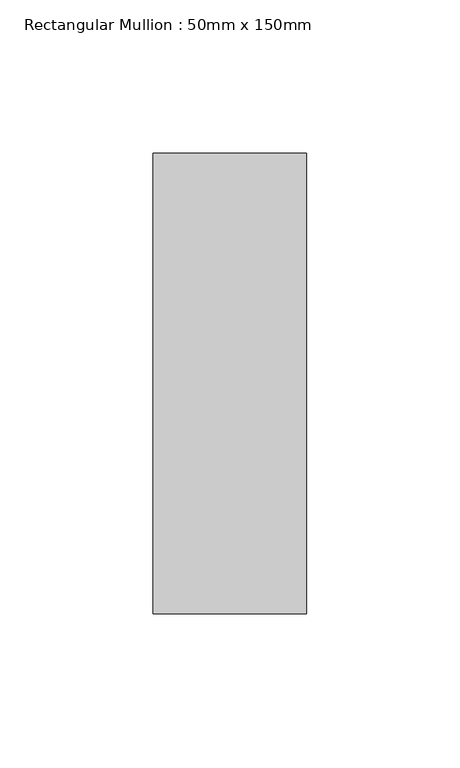
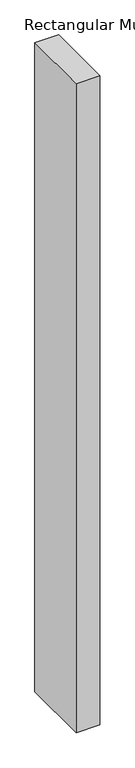
"""IFC4 building model written with IfcOpenShell, lengths in millimetres: member geometry, Rectangular Mullion : 50mm x 150mm."""

from ifc_helpers import new_model, si_unit, frame, origin, place, context, project, spatial, polyline, outline, extrude, source, transform, mapped, element, save


def rectangular_mullion_50mm_x_150mm_1f3e2cd6(model_context):
    return source(origin(), model_context, "Body", "SweptSolid", [
        extrude(outline(polyline([(0.0, 75.0), (0.0, -75.0), (-50.0, -75.0), (-50.0, 75.0), (0.0, 75.0)])), frame((0.0, 0.0, -1445.0000002), z_axis=(0.0, 0.0, 1.0), x_axis=(1.0, 0.0, 0.0)), (0.0, 0.0, 1.0), 1445.0000002),
    ])


if __name__ == "__main__":
    model = new_model("IFC4")
    model_context = context("Model", 3, world=origin())
    ifc_project = project(units=[si_unit("LENGTHUNIT", "METRE", prefix="MILLI")], contexts=[model_context])
    site = spatial("IfcSite", under=ifc_project)
    building = spatial("IfcBuilding", under=site)
    placement = place(None, origin())
    rectangular_mullion_50mm_x_150mm_shape = rectangular_mullion_50mm_x_150mm_1f3e2cd6(model_context)
    element("IfcMember", 1, ObjectType="Rectangular Mullion : 50mm x 150mm", at=placement, inside=building, context=model_context, shape_type="MappedRepresentation", body=[
        mapped(rectangular_mullion_50mm_x_150mm_shape, transform((0.0, 0.0, 0.0), x_axis=(1.0, 0.0, 0.0), y_axis=(0.0, 1.0, 0.0), z_axis=(0.0, 0.0, 1.0))),
    ])
    save(model, "model.ifc")
